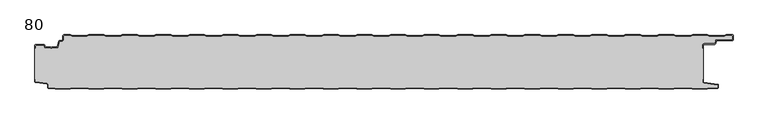
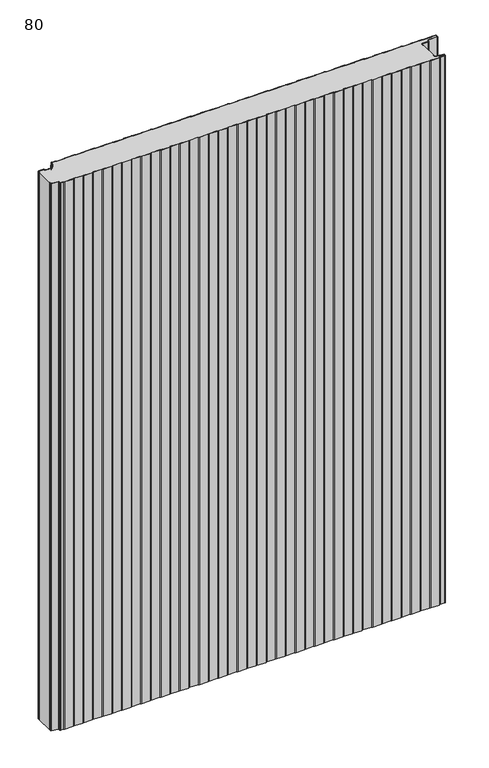
"""IFC4 building model written with IfcOpenShell, lengths in millimetres: plate geometry, 80."""

from ifc_helpers import new_model, si_unit, point, frame_2d, origin, origin_with_axes, place, context, project, spatial, polyline, circle_curve, trimmed, segment, composite_curve, outline, extrude, source, transform, mapped, element, save


def plate_80_bf879cb6(model_context):
    return source(origin(), model_context, "Body", "SweptSolid", [
        extrude(outline(composite_curve([segment(trimmed(circle_curve(frame_2d((-498.6, -16.2480681)), 1.4), [point((-500.0, -16.2480681))], [point((-498.6, -14.8480681))], False, "CARTESIAN"), True, "CONTINUOUS"), segment(polyline([(-498.6, -14.8480681), (-486.4969094, -14.8480681)]), True, "CONTINUOUS"), segment(trimmed(circle_curve(frame_2d((-486.4969094, -16.2480681)), 1.4), [point((-486.4969094, -14.8480681))], [point((-485.1275334, -15.9568477))], False, "CARTESIAN"), True, "CONTINUOUS"), segment(polyline([(-485.1275334, -15.9568477), (-484.6878192, -18.0244711)]), True, "CONTINUOUS"), segment(trimmed(circle_curve(frame_2d((-484.1011925, -17.8997153)), 0.5997457), [point((-484.6878192, -18.0244711))], [point((-484.1011925, -18.499461))], True, "CARTESIAN"), True, "CONTINUOUS"), segment(polyline([(-484.1011925, -18.499461), (-476.9006569, -18.499461)]), True, "CONTINUOUS"), segment(trimmed(circle_curve(frame_2d((-476.9006569, -19.799946)), 1.300485), [point((-476.9006569, -18.499461))], [point((-475.9808032, -18.8806362))], False, "CARTESIAN"), True, "CONTINUOUS"), segment(trimmed(circle_curve(frame_2d((-475.5877843, -18.5693125)), 0.5013845), [point((-475.9808032, -18.8806362))], [point((-475.2328971, -18.9234896))], True, "CARTESIAN"), True, "CONTINUOUS"), segment(trimmed(circle_curve(frame_2d((-474.2728751, -19.8002001)), 1.3001013), [point((-475.2328971, -18.9234896))], [point((-474.2728751, -18.5000988))], False, "CARTESIAN"), True, "CONTINUOUS"), segment(polyline([(-474.2728751, -18.5000988), (-467.0728572, -18.5000988)]), True, "CONTINUOUS"), segment(trimmed(circle_curve(frame_2d((-467.0728572, -17.9000522)), 0.6000466), [point((-467.0728572, -18.5000988))], [point((-466.4859224, -18.0248059))], True, "CARTESIAN"), True, "CONTINUOUS"), segment(polyline([(-466.4859224, -18.0248059), (-464.8033928, -10.1089305)]), True, "CONTINUOUS"), segment(trimmed(circle_curve(frame_2d((-463.4339847, -10.4)), 1.4), [point((-464.8033928, -10.1089305))], [point((-463.4339847, -9.0))], False, "CARTESIAN"), True, "CONTINUOUS"), segment(polyline([(-463.4339847, -9.0), (-460.4027062, -9.0)]), True, "CONTINUOUS"), segment(trimmed(circle_curve(frame_2d((-460.4027062, -7.1)), 1.9), [point((-460.4027062, -9.0))], [point((-458.5027062, -7.1))], True, "CARTESIAN"), True, "CONTINUOUS"), segment(polyline([(-458.5027062, -7.1), (-458.5027062, -2.0)]), True, "CONTINUOUS"), segment(trimmed(circle_curve(frame_2d((-456.5027062, -2.0)), 2.0), [point((-458.5027062, -2.0))], [point((-456.5027062, 0.0))], False, "CARTESIAN"), True, "CONTINUOUS"), segment(polyline([(-456.5027062, 0.0), (-447.5017452, 0.0), (-444.5017452, -1.0), (-422.5017452, -1.0), (-419.5017452, 0.0), (-397.5017452, 0.0), (-394.5017452, -1.0), (-372.5017452, -1.0), (-369.5017452, 0.0), (-347.5017452, 0.0), (-344.5017452, -1.0), (-322.5017452, -1.0), (-319.5017452, 0.0), (-297.5017452, 0.0), (-294.5017452, -1.0), (-272.5017452, -1.0), (-269.5017452, 0.0), (-247.5017452, 0.0), (-244.5017452, -1.0), (-222.5017452, -1.0), (-219.5017452, 0.0), (-197.5017452, 0.0), (-194.5017452, -1.0), (-172.5017452, -1.0), (-169.5017452, 0.0), (-147.5017452, 0.0), (-144.5017452, -1.0), (-122.5017452, -1.0), (-119.5017452, 0.0), (-97.5017452, 0.0), (-94.5017452, -1.0), (-72.5017452, -1.0), (-69.5017452, 0.0), (-47.5017452, 0.0), (-44.5017452, -1.0), (-22.5017452, -1.0), (-19.5017452, 0.0), (2.4982548, 0.0), (5.4982548, -1.0), (27.4982548, -1.0), (30.4982548, 0.0), (52.4982548, 0.0), (55.4982548, -1.0), (77.4982548, -1.0), (80.4982548, 0.0), (102.4982548, 0.0), (105.4982548, -1.0), (127.4982548, -1.0), (130.4982548, 0.0), (152.4982548, 0.0), (155.4982548, -1.0), (177.4982548, -1.0), (180.4982548, 0.0), (202.4982548, 0.0), (205.4982548, -1.0), (227.4982548, -1.0), (230.4982548, 0.0), (252.4982548, 0.0), (255.4982548, -1.0), (277.4982548, -1.0), (280.4982548, 0.0), (302.4982548, 0.0), (305.4982548, -1.0), (327.4982548, -1.0), (330.4982548, 0.0), (352.4982548, 0.0), (355.4982548, -1.0), (377.4982548, -1.0), (380.4982548, 0.0), (402.4982548, 0.0), (405.4982548, -1.0), (427.4982548, -1.0), (430.4982548, 0.0), (452.4982548, 0.0), (455.4982548, -1.0), (477.4982548, -1.0), (480.4982548, 0.0), (502.4982548, 0.0), (505.4982548, -1.0), (527.4982548, -1.0), (530.4982548, 0.0), (539.4972938, 0.0)]), True, "CONTINUOUS"), segment(trimmed(circle_curve(frame_2d((539.4972938, -2.0)), 2.0), [point((539.4972938, 0.0))], [point((541.0, -0.6801992))], False, "CARTESIAN"), True, "CONTINUOUS"), segment(polyline([(541.0, -0.6801992), (541.0, -8.0014566)]), True, "CONTINUOUS"), segment(trimmed(circle_curve(frame_2d((539.7972938, -6.8)), 1.7), [point((541.0, -8.0014566))], [point((539.7972938, -8.5))], False, "CARTESIAN"), True, "CONTINUOUS"), segment(polyline([(539.7972938, -8.5), (517.0135311, -8.5)]), True, "CONTINUOUS"), segment(trimmed(circle_curve(frame_2d((517.0135311, -9.9)), 1.4), [point((517.0135311, -8.5))], [point((515.6441245, -9.6089236))], True, "CARTESIAN"), True, "CONTINUOUS"), segment(polyline([(515.6441245, -9.6089236), (514.8724972, -13.2391445)]), True, "CONTINUOUS"), segment(trimmed(circle_curve(frame_2d((513.5030906, -12.9480681)), 1.4), [point((514.8724972, -13.2391445))], [point((513.5030906, -14.3480681))], False, "CARTESIAN"), True, "CONTINUOUS"), segment(polyline([(513.5030906, -14.3480681), (497.9, -14.3480681)]), True, "CONTINUOUS"), segment(trimmed(circle_curve(frame_2d((497.9, -15.7480681)), 1.4), [point((497.9, -14.3480681))], [point((496.5, -15.7480681))], True, "CARTESIAN"), True, "CONTINUOUS"), segment(polyline([(496.5, -15.7480681), (496.5, -20.2482392), (495.7, -20.2482392), (495.7, -15.7480681)]), True, "CONTINUOUS"), segment(trimmed(circle_curve(frame_2d((497.9, -15.7480681)), 2.2), [point((495.7, -15.7480681))], [point((497.9, -13.5480681))], False, "CARTESIAN"), True, "CONTINUOUS"), segment(polyline([(497.9, -13.5480681), (513.5030906, -13.5480681)]), True, "CONTINUOUS"), segment(trimmed(circle_curve(frame_2d((513.5030906, -12.9480681)), 0.6), [point((513.5030906, -13.5480681))], [point((514.0899792, -13.0728151))], True, "CARTESIAN"), True, "CONTINUOUS"), segment(polyline([(514.0899792, -13.0728151), (514.8616064, -9.4425943)]), True, "CONTINUOUS"), segment(trimmed(circle_curve(frame_2d((517.0135311, -9.9)), 2.2), [point((514.8616064, -9.4425943))], [point((517.0135311, -7.7))], False, "CARTESIAN"), True, "CONTINUOUS"), segment(polyline([(517.0135311, -7.7), (539.7972938, -7.7)]), True, "CONTINUOUS"), segment(trimmed(circle_curve(frame_2d((539.7972938, -6.8)), 0.9), [point((539.7972938, -7.7))], [point((540.6972938, -6.8))], True, "CARTESIAN"), True, "CONTINUOUS"), segment(polyline([(540.6972938, -6.8), (540.6972938, -2.0)]), True, "CONTINUOUS"), segment(trimmed(circle_curve(frame_2d((539.4972938, -2.0)), 1.2), [point((540.6972938, -2.0))], [point((539.4972938, -0.8))], True, "CARTESIAN"), True, "CONTINUOUS"), segment(polyline([(539.4972938, -0.8), (530.6280769, -0.8), (527.6280769, -1.8), (505.3684327, -1.8), (502.3684327, -0.8), (480.6280769, -0.8), (477.6280769, -1.8), (455.3684327, -1.8), (452.3684327, -0.8), (430.6280769, -0.8), (427.6280769, -1.8), (405.3684327, -1.8), (402.3684327, -0.8), (380.6280769, -0.8), (377.6280769, -1.8), (355.3684327, -1.8), (352.3684327, -0.8), (330.6280769, -0.8), (327.6280769, -1.8), (305.3684327, -1.8), (302.3684327, -0.8), (280.6280769, -0.8), (277.6280769, -1.8), (255.3684327, -1.8), (252.3684327, -0.8), (230.6280769, -0.8), (227.6280769, -1.8), (205.3684327, -1.8), (202.3684327, -0.8), (180.6280769, -0.8), (177.6280769, -1.8), (155.3684327, -1.8), (152.3684327, -0.8), (130.6280769, -0.8), (127.6280769, -1.8), (105.3684327, -1.8), (102.3684327, -0.8), (80.6280769, -0.8), (77.6280769, -1.8), (55.3684327, -1.8), (52.3684327, -0.8), (30.6280769, -0.8), (27.6280769, -1.8), (5.3684327, -1.8), (2.3684327, -0.8), (-19.3719231, -0.8), (-22.3719231, -1.8), (-44.6315673, -1.8), (-47.6315673, -0.8), (-69.3719231, -0.8), (-72.3719231, -1.8), (-94.6315673, -1.8), (-97.6315673, -0.8), (-119.3719231, -0.8), (-122.3719231, -1.8), (-144.6315673, -1.8), (-147.6315673, -0.8), (-169.3719231, -0.8), (-172.3719231, -1.8), (-194.6315673, -1.8), (-197.6315673, -0.8), (-219.3719231, -0.8), (-222.3719231, -1.8), (-244.6315673, -1.8), (-247.6315673, -0.8), (-269.3719231, -0.8), (-272.3719231, -1.8), (-294.6315673, -1.8), (-297.6315673, -0.8), (-319.3719231, -0.8), (-322.3719231, -1.8), (-344.6315673, -1.8), (-347.6315673, -0.8), (-369.3719231, -0.8), (-372.3719231, -1.8), (-394.6315673, -1.8), (-397.6315673, -0.8), (-419.3719231, -0.8), (-422.3719231, -1.8), (-444.6315673, -1.8), (-447.6315673, -0.8), (-456.5027062, -0.8)]), True, "CONTINUOUS"), segment(trimmed(circle_curve(frame_2d((-456.5027062, -2.0)), 1.2), [point((-456.5027062, -0.8))], [point((-457.7027062, -2.0))], True, "CARTESIAN"), True, "CONTINUOUS"), segment(polyline([(-457.7027062, -2.0), (-457.7027062, -7.1)]), True, "CONTINUOUS"), segment(trimmed(circle_curve(frame_2d((-460.4027062, -7.1)), 2.7), [point((-457.7027062, -7.1))], [point((-460.4027062, -9.8))], False, "CARTESIAN"), True, "CONTINUOUS"), segment(polyline([(-460.4027062, -9.8), (-463.4339847, -9.8)]), True, "CONTINUOUS"), segment(trimmed(circle_curve(frame_2d((-463.4339847, -10.4)), 0.6), [point((-463.4339847, -9.8))], [point((-464.0208733, -10.275253))], True, "CARTESIAN"), True, "CONTINUOUS"), segment(polyline([(-464.0208733, -10.275253), (-465.7034335, -18.1910764)]), True, "CONTINUOUS"), segment(trimmed(circle_curve(frame_2d((-467.0728401, -17.9)), 1.4), [point((-465.7034335, -18.1910764))], [point((-467.0728401, -19.3))], False, "CARTESIAN"), True, "CONTINUOUS"), segment(polyline([(-467.0728401, -19.3), (-474.5122154, -19.3)]), True, "CONTINUOUS"), segment(trimmed(circle_curve(frame_2d((-475.5869697, -18.5686292)), 1.3), [point((-474.5122154, -19.3))], [point((-476.6617239, -19.3))], False, "CARTESIAN"), True, "CONTINUOUS"), segment(polyline([(-476.6617239, -19.3), (-484.1010993, -19.3)]), True, "CONTINUOUS"), segment(trimmed(circle_curve(frame_2d((-484.1010993, -17.9)), 1.4), [point((-484.1010993, -19.3))], [point((-485.4705059, -18.1910764))], False, "CARTESIAN"), True, "CONTINUOUS"), segment(polyline([(-485.4705059, -18.1910764), (-485.9100208, -16.1233211)]), True, "CONTINUOUS"), segment(trimmed(circle_curve(frame_2d((-486.4969094, -16.2480681)), 0.6), [point((-485.9100208, -16.1233211))], [point((-486.4969094, -15.6480681))], True, "CARTESIAN"), True, "CONTINUOUS"), segment(polyline([(-486.4969094, -15.6480681), (-498.6, -15.6480681)]), True, "CONTINUOUS"), segment(trimmed(circle_curve(frame_2d((-498.6, -16.2480681)), 0.6), [point((-498.6, -15.6480681))], [point((-499.2, -16.2480681))], True, "CARTESIAN"), True, "CONTINUOUS"), segment(polyline([(-499.2, -16.2480681), (-499.2, -20.2482392), (-500.0, -20.2482392), (-500.0, -16.2480681)]), True, "CONTINUOUS")], self_intersect=False)), origin_with_axes(), (0.0, 0.0, 1.0), 1500.0),
        extrude(outline(composite_curve([segment(polyline([(-500.0, -66.3232445), (-500.0, -20.2482392), (-499.2, -20.2482392), (-499.2, -16.2480681)]), True, "CONTINUOUS"), segment(trimmed(circle_curve(frame_2d((-498.6, -16.2480681)), 0.6), [point((-499.2, -16.2480681))], [point((-498.6, -15.6480681))], False, "CARTESIAN"), True, "CONTINUOUS"), segment(polyline([(-498.6, -15.6480681), (-486.4969094, -15.6480681)]), True, "CONTINUOUS"), segment(trimmed(circle_curve(frame_2d((-486.4969094, -16.2480681)), 0.6), [point((-486.4969094, -15.6480681))], [point((-485.9100208, -16.1233211))], False, "CARTESIAN"), True, "CONTINUOUS"), segment(polyline([(-485.9100208, -16.1233211), (-485.4705059, -18.1910764)]), True, "CONTINUOUS"), segment(trimmed(circle_curve(frame_2d((-484.1010993, -17.9)), 1.4), [point((-485.4705059, -18.1910764))], [point((-484.1010993, -19.3))], True, "CARTESIAN"), True, "CONTINUOUS"), segment(polyline([(-484.1010993, -19.3), (-476.6617239, -19.3)]), True, "CONTINUOUS"), segment(trimmed(circle_curve(frame_2d((-475.5869697, -18.5686292)), 1.3), [point((-476.6617239, -19.3))], [point((-474.5122154, -19.3))], True, "CARTESIAN"), True, "CONTINUOUS"), segment(polyline([(-474.5122154, -19.3), (-467.0728401, -19.3)]), True, "CONTINUOUS"), segment(trimmed(circle_curve(frame_2d((-467.0728401, -17.9)), 1.4), [point((-467.0728401, -19.3))], [point((-465.7034335, -18.1910764))], True, "CARTESIAN"), True, "CONTINUOUS"), segment(polyline([(-465.7034335, -18.1910764), (-464.0208733, -10.275253)]), True, "CONTINUOUS"), segment(trimmed(circle_curve(frame_2d((-463.4339847, -10.4)), 0.6), [point((-464.0208733, -10.275253))], [point((-463.4339847, -9.8))], False, "CARTESIAN"), True, "CONTINUOUS"), segment(polyline([(-463.4339847, -9.8), (-460.4027062, -9.8)]), True, "CONTINUOUS"), segment(trimmed(circle_curve(frame_2d((-460.4027062, -7.1)), 2.7), [point((-460.4027062, -9.8))], [point((-457.7027062, -7.1))], True, "CARTESIAN"), True, "CONTINUOUS"), segment(polyline([(-457.7027062, -7.1), (-457.7027062, -2.0)]), True, "CONTINUOUS"), segment(trimmed(circle_curve(frame_2d((-456.5027062, -2.0)), 1.2), [point((-457.7027062, -2.0))], [point((-456.5027062, -0.8))], False, "CARTESIAN"), True, "CONTINUOUS"), segment(polyline([(-456.5027062, -0.8), (-447.6315673, -0.8), (-444.6315673, -1.8), (-422.3719231, -1.8), (-419.3719231, -0.8), (-397.6315673, -0.8), (-394.6315673, -1.8), (-372.3719231, -1.8), (-369.3719231, -0.8), (-347.6315673, -0.8), (-344.6315673, -1.8), (-322.3719231, -1.8), (-319.3719231, -0.8), (-297.6315673, -0.8), (-294.6315673, -1.8), (-272.3719231, -1.8), (-269.3719231, -0.8), (-247.6315673, -0.8), (-244.6315673, -1.8), (-222.3719231, -1.8), (-219.3719231, -0.8), (-197.6315673, -0.8), (-194.6315673, -1.8), (-172.3719231, -1.8), (-169.3719231, -0.8), (-147.6315673, -0.8), (-144.6315673, -1.8), (-122.3719231, -1.8), (-119.3719231, -0.8), (-97.6315673, -0.8), (-94.6315673, -1.8), (-72.3719231, -1.8), (-69.3719231, -0.8), (-47.6315673, -0.8), (-44.6315673, -1.8), (-22.3719231, -1.8), (-19.3719231, -0.8), (2.3684327, -0.8), (5.3684327, -1.8), (27.6280769, -1.8), (30.6280769, -0.8), (52.3684327, -0.8), (55.3684327, -1.8), (77.6280769, -1.8), (80.6280769, -0.8), (102.3684327, -0.8), (105.3684327, -1.8), (127.6280769, -1.8), (130.6280769, -0.8), (152.3684327, -0.8), (155.3684327, -1.8), (177.6280769, -1.8), (180.6280769, -0.8), (202.3684327, -0.8), (205.3684327, -1.8), (227.6280769, -1.8), (230.6280769, -0.8), (252.3684327, -0.8), (255.3684327, -1.8), (277.6280769, -1.8), (280.6280769, -0.8), (302.3684327, -0.8), (305.3684327, -1.8), (327.6280769, -1.8), (330.6280769, -0.8), (352.3684327, -0.8), (355.3684327, -1.8), (377.6280769, -1.8), (380.6280769, -0.8), (402.3684327, -0.8), (405.3684327, -1.8), (427.6280769, -1.8), (430.6280769, -0.8), (452.3684327, -0.8), (455.3684327, -1.8), (477.6280769, -1.8), (480.6280769, -0.8), (502.3684327, -0.8), (505.3684327, -1.8), (527.6280769, -1.8), (530.6280769, -0.8), (539.4972938, -0.8)]), True, "CONTINUOUS"), segment(trimmed(circle_curve(frame_2d((539.4972938, -2.0)), 1.2), [point((539.4972938, -0.8))], [point((540.6972938, -2.0))], False, "CARTESIAN"), True, "CONTINUOUS"), segment(polyline([(540.6972938, -2.0), (540.6972938, -6.8)]), True, "CONTINUOUS"), segment(trimmed(circle_curve(frame_2d((539.7972938, -6.8)), 0.9), [point((540.6972938, -6.8))], [point((539.7972938, -7.7))], False, "CARTESIAN"), True, "CONTINUOUS"), segment(polyline([(539.7972938, -7.7), (517.0135311, -7.7)]), True, "CONTINUOUS"), segment(trimmed(circle_curve(frame_2d((517.0135311, -9.9)), 2.2), [point((517.0135311, -7.7))], [point((514.8616064, -9.4425943))], True, "CARTESIAN"), True, "CONTINUOUS"), segment(polyline([(514.8616064, -9.4425943), (514.0899792, -13.0728151)]), True, "CONTINUOUS"), segment(trimmed(circle_curve(frame_2d((513.5030906, -12.9480681)), 0.6), [point((514.0899792, -13.0728151))], [point((513.5030906, -13.5480681))], False, "CARTESIAN"), True, "CONTINUOUS"), segment(polyline([(513.5030906, -13.5480681), (497.9, -13.5480681)]), True, "CONTINUOUS"), segment(trimmed(circle_curve(frame_2d((497.9, -15.7480681)), 2.2), [point((497.9, -13.5480681))], [point((495.7, -15.7480681))], True, "CARTESIAN"), True, "CONTINUOUS"), segment(polyline([(495.7, -15.7480681), (495.7, -20.2482392), (496.5, -20.2482392), (496.5, -66.3232445), (495.7, -66.3232445), (495.7, -70.7275325)]), True, "CONTINUOUS"), segment(trimmed(circle_curve(frame_2d((497.2, -70.7275325)), 1.5), [point((495.7, -70.7275325))], [point((496.9911207, -72.2129178))], True, "CARTESIAN"), True, "CONTINUOUS"), segment(polyline([(496.9911207, -72.2129178), (517.69005, -75.1236622)]), True, "CONTINUOUS"), segment(trimmed(circle_curve(frame_2d((517.6075495, -75.7103403)), 0.5924505), [point((517.69005, -75.1236622))], [point((518.2, -75.7103403))], False, "CARTESIAN"), True, "CONTINUOUS"), segment(polyline([(518.2, -75.7103403), (518.2, -78.7)]), True, "CONTINUOUS"), segment(trimmed(circle_curve(frame_2d((517.7, -78.7)), 0.5), [point((518.2, -78.7))], [point((517.7, -79.2))], False, "CARTESIAN"), True, "CONTINUOUS"), segment(polyline([(517.7, -79.2), (505.3684327, -79.2), (502.3684327, -80.2), (480.3684327, -80.2), (477.3684327, -79.2), (455.3684327, -79.2), (452.3684327, -80.2), (430.3684327, -80.2), (427.3684327, -79.2), (405.3684327, -79.2), (402.3684327, -80.2), (380.3684327, -80.2), (377.3684327, -79.2), (355.3684327, -79.2), (352.3684327, -80.2), (330.3684327, -80.2), (327.3684327, -79.2), (305.3684327, -79.2), (302.3684327, -80.2), (280.3684327, -80.2), (277.3684327, -79.2), (255.3684327, -79.2), (252.3684327, -80.2), (230.3684327, -80.2), (227.3684327, -79.2), (205.3684327, -79.2), (202.3684327, -80.2), (180.3684327, -80.2), (177.3684327, -79.2), (155.3684327, -79.2), (152.3684327, -80.2), (130.3684327, -80.2), (127.3684327, -79.2), (105.3684327, -79.2), (102.3684327, -80.2), (80.3684327, -80.2), (77.3684327, -79.2), (55.3684327, -79.2), (52.3684327, -80.2), (30.3684327, -80.2), (27.3684327, -79.2), (5.3684327, -79.2), (2.3684327, -80.2), (-19.6315673, -80.2), (-22.6315673, -79.2), (-44.6315673, -79.2), (-47.6315673, -80.2), (-69.6315673, -80.2), (-72.6315673, -79.2), (-94.6315673, -79.2), (-97.6315673, -80.2), (-119.6315673, -80.2), (-122.6315673, -79.2), (-144.6315673, -79.2), (-147.6315673, -80.2), (-169.6315673, -80.2), (-172.6315673, -79.2), (-194.6315673, -79.2), (-197.6315673, -80.2), (-219.6315673, -80.2), (-222.6315673, -79.2), (-244.6315673, -79.2), (-247.6315673, -80.2), (-269.6315673, -80.2), (-272.6315673, -79.2), (-294.6315673, -79.2), (-297.6315673, -80.2), (-319.6315673, -80.2), (-322.6315673, -79.2), (-344.6315673, -79.2), (-347.6315673, -80.2), (-369.6315673, -80.2), (-372.6315673, -79.2), (-394.6315673, -79.2), (-397.6315673, -80.2), (-419.6315673, -80.2), (-422.6315673, -79.2), (-444.6315673, -79.2), (-447.6315673, -80.2), (-469.6315673, -80.2), (-472.6315673, -79.2), (-479.7, -79.2)]), True, "CONTINUOUS"), segment(trimmed(circle_curve(frame_2d((-479.7, -78.7)), 0.5), [point((-479.7, -79.2))], [point((-480.2, -78.7))], False, "CARTESIAN"), True, "CONTINUOUS"), segment(polyline([(-480.2, -78.7), (-480.2, -74.6035317)]), True, "CONTINUOUS"), segment(trimmed(circle_curve(frame_2d((-481.7, -74.6035317)), 1.5), [point((-480.2, -74.6035317))], [point((-481.4911207, -73.1181464))], True, "CARTESIAN"), True, "CONTINUOUS"), segment(polyline([(-481.4911207, -73.1181464), (-498.6835517, -70.7004962)]), True, "CONTINUOUS"), segment(trimmed(circle_curve(frame_2d((-498.6, -70.1063421)), 0.6), [point((-498.6835517, -70.7004962))], [point((-499.2, -70.1063421))], False, "CARTESIAN"), True, "CONTINUOUS"), segment(polyline([(-499.2, -70.1063421), (-499.2, -66.3232445), (-500.0, -66.3232445)]), True, "CONTINUOUS")], self_intersect=False)), origin_with_axes(), (0.0, 0.0, 1.0), 1500.0),
        extrude(outline(composite_curve([segment(polyline([(-500.0, -66.3232445), (-499.2, -66.3232445), (-499.2, -70.1063421)]), True, "CONTINUOUS"), segment(trimmed(circle_curve(frame_2d((-498.6, -70.1063421)), 0.6), [point((-499.2, -70.1063421))], [point((-498.6835517, -70.7004962))], True, "CARTESIAN"), True, "CONTINUOUS"), segment(polyline([(-498.6835517, -70.7004962), (-481.4911207, -73.1181464)]), True, "CONTINUOUS"), segment(trimmed(circle_curve(frame_2d((-481.7, -74.6035317)), 1.5), [point((-481.4911207, -73.1181464))], [point((-480.2, -74.6035317))], False, "CARTESIAN"), True, "CONTINUOUS"), segment(polyline([(-480.2, -74.6035317), (-480.2, -78.7)]), True, "CONTINUOUS"), segment(trimmed(circle_curve(frame_2d((-479.7, -78.7)), 0.5), [point((-480.2, -78.7))], [point((-479.7, -79.2))], True, "CARTESIAN"), True, "CONTINUOUS"), segment(polyline([(-479.7, -79.2), (-472.6315673, -79.2), (-469.6315673, -80.2), (-447.6315673, -80.2), (-444.6315673, -79.2), (-422.6315673, -79.2), (-419.6315673, -80.2), (-397.6315673, -80.2), (-394.6315673, -79.2), (-372.6315673, -79.2), (-369.6315673, -80.2), (-347.6315673, -80.2), (-344.6315673, -79.2), (-322.6315673, -79.2), (-319.6315673, -80.2), (-297.6315673, -80.2), (-294.6315673, -79.2), (-272.6315673, -79.2), (-269.6315673, -80.2), (-247.6315673, -80.2), (-244.6315673, -79.2), (-222.6315673, -79.2), (-219.6315673, -80.2), (-197.6315673, -80.2), (-194.6315673, -79.2), (-172.6315673, -79.2), (-169.6315673, -80.2), (-147.6315673, -80.2), (-144.6315673, -79.2), (-122.6315673, -79.2), (-119.6315673, -80.2), (-97.6315673, -80.2), (-94.6315673, -79.2), (-72.6315673, -79.2), (-69.6315673, -80.2), (-47.6315673, -80.2), (-44.6315673, -79.2), (-22.6315673, -79.2), (-19.6315673, -80.2), (2.3684327, -80.2), (5.3684327, -79.2), (27.3684327, -79.2), (30.3684327, -80.2), (52.3684327, -80.2), (55.3684327, -79.2), (77.3684327, -79.2), (80.3684327, -80.2), (102.3684327, -80.2), (105.3684327, -79.2), (127.3684327, -79.2), (130.3684327, -80.2), (152.3684327, -80.2), (155.3684327, -79.2), (177.3684327, -79.2), (180.3684327, -80.2), (202.3684327, -80.2), (205.3684327, -79.2), (227.3684327, -79.2), (230.3684327, -80.2), (252.3684327, -80.2), (255.3684327, -79.2), (277.3684327, -79.2), (280.3684327, -80.2), (302.3684327, -80.2), (305.3684327, -79.2), (327.3684327, -79.2), (330.3684327, -80.2), (352.3684327, -80.2), (355.3684327, -79.2), (377.3684327, -79.2), (380.3684327, -80.2), (402.3684327, -80.2), (405.3684327, -79.2), (427.3684327, -79.2), (430.3684327, -80.2), (452.3684327, -80.2), (455.3684327, -79.2), (477.3684327, -79.2), (480.3684327, -80.2), (502.3684327, -80.2), (505.3684327, -79.2), (517.7, -79.2)]), True, "CONTINUOUS"), segment(trimmed(circle_curve(frame_2d((517.7, -78.7)), 0.5), [point((517.7, -79.2))], [point((518.2, -78.7))], True, "CARTESIAN"), True, "CONTINUOUS"), segment(polyline([(518.2, -78.7), (518.2, -75.7103403)]), True, "CONTINUOUS"), segment(trimmed(circle_curve(frame_2d((517.6075495, -75.7103403)), 0.5924505), [point((518.2, -75.7103403))], [point((517.69005, -75.1236622))], True, "CARTESIAN"), True, "CONTINUOUS"), segment(polyline([(517.69005, -75.1236622), (496.9911207, -72.2129178)]), True, "CONTINUOUS"), segment(trimmed(circle_curve(frame_2d((497.2, -70.7275325)), 1.5), [point((496.9911207, -72.2129178))], [point((495.7, -70.7275325))], False, "CARTESIAN"), True, "CONTINUOUS"), segment(polyline([(495.7, -70.7275325), (495.7, -66.3232445), (496.5, -66.3232445), (496.5, -70.7275325)]), True, "CONTINUOUS"), segment(trimmed(circle_curve(frame_2d((497.2, -70.7275325)), 0.7), [point((496.5, -70.7275325))], [point((497.102523, -71.4207123))], True, "CARTESIAN"), True, "CONTINUOUS"), segment(polyline([(497.102523, -71.4207123), (517.8810287, -74.342647)]), True, "CONTINUOUS"), segment(trimmed(circle_curve(frame_2d((517.7, -75.6299809)), 1.3), [point((517.8810287, -74.342647))], [point((519.0, -75.6299809))], False, "CARTESIAN"), True, "CONTINUOUS"), segment(polyline([(519.0, -75.6299809), (519.0, -78.7)]), True, "CONTINUOUS"), segment(trimmed(circle_curve(frame_2d((517.7, -78.7)), 1.3), [point((519.0, -78.7))], [point((517.7, -80.0))], False, "CARTESIAN"), True, "CONTINUOUS"), segment(polyline([(517.7, -80.0), (505.4982548, -80.0), (502.4982548, -81.0), (480.2386105, -81.0), (477.2386105, -80.0), (455.4982548, -80.0), (452.4982548, -81.0), (430.2386105, -81.0), (427.2386105, -80.0), (405.4982548, -80.0), (402.4982548, -81.0), (380.2386105, -81.0), (377.2386105, -80.0), (355.4982548, -80.0), (352.4982548, -81.0), (330.2386105, -81.0), (327.2386105, -80.0), (305.4982548, -80.0), (302.4982548, -81.0), (280.2386105, -81.0), (277.2386105, -80.0), (255.4982548, -80.0), (252.4982548, -81.0), (230.2386105, -81.0), (227.2386105, -80.0), (205.4982548, -80.0), (202.4982548, -81.0), (180.2386105, -81.0), (177.2386105, -80.0), (155.4982548, -80.0), (152.4982548, -81.0), (130.2386105, -81.0), (127.2386105, -80.0), (105.4982548, -80.0), (102.4982548, -81.0), (80.2386105, -81.0), (77.2386105, -80.0), (55.4982548, -80.0), (52.4982548, -81.0), (30.2386105, -81.0), (27.2386105, -80.0), (5.4982548, -80.0), (2.4982548, -81.0), (-19.7613895, -81.0), (-22.7613895, -80.0), (-44.5017452, -80.0), (-47.5017452, -81.0), (-69.7613895, -81.0), (-72.7613895, -80.0), (-94.5017452, -80.0), (-97.5017452, -81.0), (-119.7613895, -81.0), (-122.7613895, -80.0), (-144.5017452, -80.0), (-147.5017452, -81.0), (-169.7613895, -81.0), (-172.7613895, -80.0), (-194.5017452, -80.0), (-197.5017452, -81.0), (-219.7613895, -81.0), (-222.7613895, -80.0), (-244.5017452, -80.0), (-247.5017452, -81.0), (-269.7613895, -81.0), (-272.7613895, -80.0), (-294.5017452, -80.0), (-297.5017452, -81.0), (-319.7613895, -81.0), (-322.7613895, -80.0), (-344.5017452, -80.0), (-347.5017452, -81.0), (-369.7613895, -81.0), (-372.7613895, -80.0), (-394.5017452, -80.0), (-397.5017452, -81.0), (-419.7613895, -81.0), (-422.7613895, -80.0), (-444.5017452, -80.0), (-447.5017452, -81.0), (-469.7613895, -81.0), (-472.7613895, -80.0), (-479.7, -80.0)]), True, "CONTINUOUS"), segment(trimmed(circle_curve(frame_2d((-479.7, -78.7)), 1.3), [point((-479.7, -80.0))], [point((-481.0, -78.7))], False, "CARTESIAN"), True, "CONTINUOUS"), segment(polyline([(-481.0, -78.7), (-481.0, -74.6035317)]), True, "CONTINUOUS"), segment(trimmed(circle_curve(frame_2d((-481.7, -74.6035317)), 0.7), [point((-481.0, -74.6035317))], [point((-481.602523, -73.9103519))], True, "CARTESIAN"), True, "CONTINUOUS"), segment(polyline([(-481.602523, -73.9103519), (-498.8810287, -71.4805976)]), True, "CONTINUOUS"), segment(trimmed(circle_curve(frame_2d((-498.7, -70.1932637)), 1.3), [point((-498.8810287, -71.4805976))], [point((-500.0, -70.1932637))], False, "CARTESIAN"), True, "CONTINUOUS"), segment(polyline([(-500.0, -70.1932637), (-500.0, -66.3232445)]), True, "CONTINUOUS")], self_intersect=False)), origin_with_axes(), (0.0, 0.0, 1.0), 1500.0),
    ])


if __name__ == "__main__":
    model = new_model("IFC4")
    model_context = context("Model", 3, world=origin())
    ifc_project = project(units=[si_unit("LENGTHUNIT", "METRE", prefix="MILLI")], contexts=[model_context])
    site = spatial("IfcSite", under=ifc_project)
    building = spatial("IfcBuilding", under=site)
    placement = place(None, origin())
    plate_80_shape = plate_80_bf879cb6(model_context)
    element("IfcPlate", 1, ObjectType="80", at=placement, inside=building, context=model_context, shape_type="MappedRepresentation", body=[
        mapped(plate_80_shape, transform((0.0, 0.0, 0.0), x_axis=(1.0, 0.0, 0.0), y_axis=(0.0, 1.0, 0.0), z_axis=(0.0, 0.0, 1.0))),
    ])
    save(model, "model.ifc")
